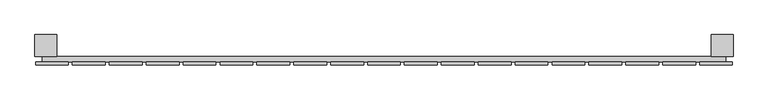
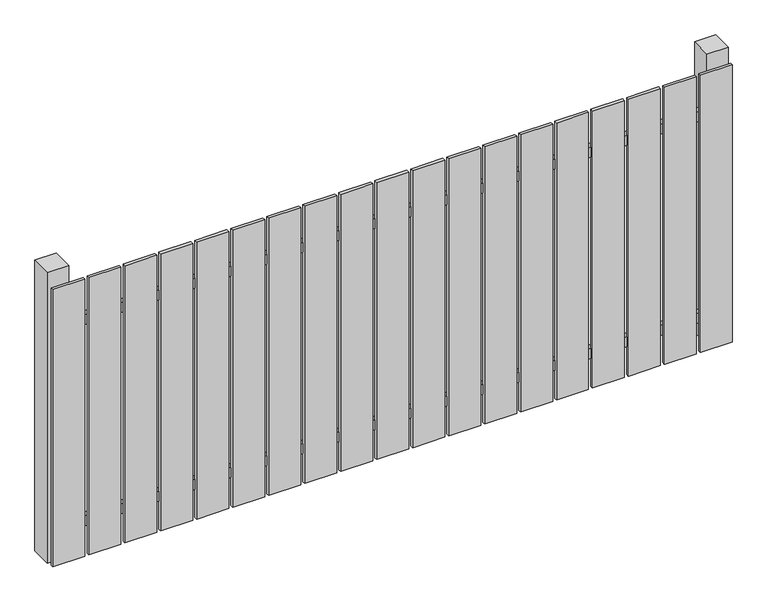
"""IFC4 building model written with IfcOpenShell, lengths in millimetres: railing geometry."""

from ifc_helpers import new_model, si_unit, frame, origin, origin_with_axes, place, context, project, spatial, polyline, outline, extrude, source, transform, mapped, element, save


def railing_dd08d06a(model_context):
    return source(origin(), model_context, "Body", "SweptSolid", [
        extrude(outline(polyline([(6087.4299228, -102939.0267127), (6087.4299228, -102919.0267127), (8587.4299228, -102919.0267127), (8587.4299228, -102939.0267127), (6087.4299228, -102939.0267127)])), frame((0.0, 0.0, 110.0), z_axis=(0.0, 0.0, 1.0), x_axis=(1.0, 0.0, 0.0)), (0.0, 0.0, 1.0), 40.0),
        extrude(outline(polyline([(6087.4299228, -102939.0267127), (6087.4299228, -102919.0267127), (8587.4299228, -102919.0267127), (8587.4299228, -102939.0267127), (6087.4299228, -102939.0267127)])), frame((0.0, 0.0, 910.0), z_axis=(0.0, 0.0, 1.0), x_axis=(1.0, 0.0, 0.0)), (0.0, 0.0, 1.0), 40.0),
        extrude(outline(polyline([(8492.4299228, -102950.5267127), (8492.4299228, -102939.5267127), (8612.4299228, -102939.5267127), (8612.4299228, -102950.5267127), (8492.4299228, -102950.5267127)])), origin_with_axes(), (0.0, 0.0, 1.0), 1100.0),
        extrude(outline(polyline([(8357.4299228, -102950.5267127), (8357.4299228, -102939.5267127), (8477.4299228, -102939.5267127), (8477.4299228, -102950.5267127), (8357.4299228, -102950.5267127)])), origin_with_axes(), (0.0, 0.0, 1.0), 1100.0),
        extrude(outline(polyline([(8222.4299228, -102950.5267127), (8222.4299228, -102939.5267127), (8342.4299228, -102939.5267127), (8342.4299228, -102950.5267127), (8222.4299228, -102950.5267127)])), origin_with_axes(), (0.0, 0.0, 1.0), 1100.0),
        extrude(outline(polyline([(8087.4299228, -102950.5267127), (8087.4299228, -102939.5267127), (8207.4299228, -102939.5267127), (8207.4299228, -102950.5267127), (8087.4299228, -102950.5267127)])), origin_with_axes(), (0.0, 0.0, 1.0), 1100.0),
        extrude(outline(polyline([(7952.4299228, -102950.5267127), (7952.4299228, -102939.5267127), (8072.4299228, -102939.5267127), (8072.4299228, -102950.5267127), (7952.4299228, -102950.5267127)])), origin_with_axes(), (0.0, 0.0, 1.0), 1100.0),
        extrude(outline(polyline([(7817.4299228, -102950.5267127), (7817.4299228, -102939.5267127), (7937.4299228, -102939.5267127), (7937.4299228, -102950.5267127), (7817.4299228, -102950.5267127)])), origin_with_axes(), (0.0, 0.0, 1.0), 1100.0),
        extrude(outline(polyline([(7682.4299228, -102950.5267127), (7682.4299228, -102939.5267127), (7802.4299228, -102939.5267127), (7802.4299228, -102950.5267127), (7682.4299228, -102950.5267127)])), origin_with_axes(), (0.0, 0.0, 1.0), 1100.0),
        extrude(outline(polyline([(7547.4299228, -102950.5267127), (7547.4299228, -102939.5267127), (7667.4299228, -102939.5267127), (7667.4299228, -102950.5267127), (7547.4299228, -102950.5267127)])), origin_with_axes(), (0.0, 0.0, 1.0), 1100.0),
        extrude(outline(polyline([(7412.4299228, -102950.5267127), (7412.4299228, -102939.5267127), (7532.4299228, -102939.5267127), (7532.4299228, -102950.5267127), (7412.4299228, -102950.5267127)])), origin_with_axes(), (0.0, 0.0, 1.0), 1100.0),
        extrude(outline(polyline([(7277.4299228, -102950.5267127), (7277.4299228, -102939.5267127), (7397.4299228, -102939.5267127), (7397.4299228, -102950.5267127), (7277.4299228, -102950.5267127)])), origin_with_axes(), (0.0, 0.0, 1.0), 1100.0),
        extrude(outline(polyline([(7142.4299228, -102950.5267127), (7142.4299228, -102939.5267127), (7262.4299228, -102939.5267127), (7262.4299228, -102950.5267127), (7142.4299228, -102950.5267127)])), origin_with_axes(), (0.0, 0.0, 1.0), 1100.0),
        extrude(outline(polyline([(7007.4299228, -102950.5267127), (7007.4299228, -102939.5267127), (7127.4299228, -102939.5267127), (7127.4299228, -102950.5267127), (7007.4299228, -102950.5267127)])), origin_with_axes(), (0.0, 0.0, 1.0), 1100.0),
        extrude(outline(polyline([(6872.4299228, -102950.5267127), (6872.4299228, -102939.5267127), (6992.4299228, -102939.5267127), (6992.4299228, -102950.5267127), (6872.4299228, -102950.5267127)])), origin_with_axes(), (0.0, 0.0, 1.0), 1100.0),
        extrude(outline(polyline([(6737.4299228, -102950.5267127), (6737.4299228, -102939.5267127), (6857.4299228, -102939.5267127), (6857.4299228, -102950.5267127), (6737.4299228, -102950.5267127)])), origin_with_axes(), (0.0, 0.0, 1.0), 1100.0),
        extrude(outline(polyline([(6602.4299228, -102950.5267127), (6602.4299228, -102939.5267127), (6722.4299228, -102939.5267127), (6722.4299228, -102950.5267127), (6602.4299228, -102950.5267127)])), origin_with_axes(), (0.0, 0.0, 1.0), 1100.0),
        extrude(outline(polyline([(6467.4299228, -102950.5267127), (6467.4299228, -102939.5267127), (6587.4299228, -102939.5267127), (6587.4299228, -102950.5267127), (6467.4299228, -102950.5267127)])), origin_with_axes(), (0.0, 0.0, 1.0), 1100.0),
        extrude(outline(polyline([(6332.4299228, -102950.5267127), (6332.4299228, -102939.5267127), (6452.4299228, -102939.5267127), (6452.4299228, -102950.5267127), (6332.4299228, -102950.5267127)])), origin_with_axes(), (0.0, 0.0, 1.0), 1100.0),
        extrude(outline(polyline([(6197.4299228, -102950.5267127), (6197.4299228, -102939.5267127), (6317.4299228, -102939.5267127), (6317.4299228, -102950.5267127), (6197.4299228, -102950.5267127)])), origin_with_axes(), (0.0, 0.0, 1.0), 1100.0),
        extrude(outline(polyline([(6062.4299228, -102950.5267127), (6062.4299228, -102939.5267127), (6182.4299228, -102939.5267127), (6182.4299228, -102950.5267127), (6062.4299228, -102950.5267127)])), origin_with_axes(), (0.0, 0.0, 1.0), 1100.0),
        extrude(outline(polyline([(8534.9299228, -102839.0267127), (8614.9299228, -102839.0267127), (8614.9299228, -102919.0267127), (8534.9299228, -102919.0267127), (8534.9299228, -102839.0267127)])), frame((0.0, 0.0, -4.0), z_axis=(0.0, 0.0, 1.0), x_axis=(1.0, 0.0, 0.0)), (0.0, 0.0, 1.0), 1154.0),
        extrude(outline(polyline([(6059.9299228, -102839.0267127), (6139.9299228, -102839.0267127), (6139.9299228, -102919.0267127), (6059.9299228, -102919.0267127), (6059.9299228, -102839.0267127)])), frame((0.0, 0.0, -4.0), z_axis=(0.0, 0.0, 1.0), x_axis=(1.0, 0.0, 0.0)), (0.0, 0.0, 1.0), 1154.0),
    ])


if __name__ == "__main__":
    model = new_model("IFC4")
    model_context = context("Model", 3, world=origin())
    ifc_project = project(units=[si_unit("LENGTHUNIT", "METRE", prefix="MILLI")], contexts=[model_context])
    site = spatial("IfcSite", under=ifc_project)
    building = spatial("IfcBuilding", under=site)
    placement = place(None, origin())
    railing_shape = railing_dd08d06a(model_context)
    element("IfcRailing", 1, at=placement, inside=building, context=model_context, shape_type="MappedRepresentation", body=[
        mapped(railing_shape, transform((0.0, 0.0, 0.0), x_axis=(1.0, 0.0, 0.0), y_axis=(0.0, 1.0, 0.0), z_axis=(0.0, 0.0, 1.0))),
    ])
    save(model, "model.ifc")
